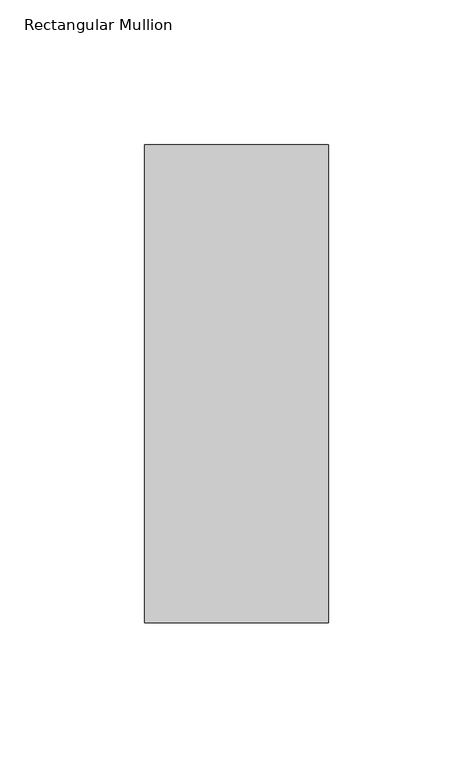
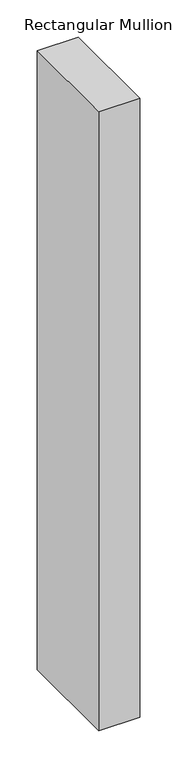
"""IFC4 building model written with IfcOpenShell, lengths in millimetres: member geometry, Rectangular Mullion."""

from ifc_helpers import new_model, si_unit, frame, origin, place, context, project, spatial, polyline, outline, extrude, source, transform, mapped, element, save


def rectangular_mullion_0c8a40b5(model_context):
    return source(origin(), model_context, "Body", "SweptSolid", [
        extrude(outline(polyline([(-63.5, 32.54375), (0.0, 32.54375), (0.0, -132.55625), (-63.5, -132.55625), (-63.5, 32.54375)])), frame((0.0, 0.0, -1016.0), z_axis=(0.0, 0.0, 1.0), x_axis=(1.0, 0.0, 0.0)), (0.0, 0.0, 1.0), 1016.0),
    ])


if __name__ == "__main__":
    model = new_model("IFC4")
    model_context = context("Model", 3, world=origin())
    ifc_project = project(units=[si_unit("LENGTHUNIT", "METRE", prefix="MILLI")], contexts=[model_context])
    site = spatial("IfcSite", under=ifc_project)
    building = spatial("IfcBuilding", under=site)
    placement = place(None, origin())
    rectangular_mullion_shape = rectangular_mullion_0c8a40b5(model_context)
    element("IfcMember", 1, ObjectType="Rectangular Mullion", at=placement, inside=building, context=model_context, shape_type="MappedRepresentation", body=[
        mapped(rectangular_mullion_shape, transform((0.0, 0.0, 0.0), x_axis=(1.0, 0.0, 0.0), y_axis=(0.0, 1.0, 0.0), z_axis=(0.0, 0.0, 1.0))),
    ])
    save(model, "model.ifc")
